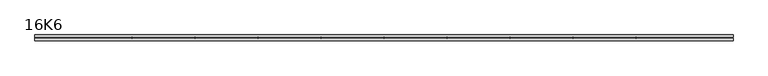
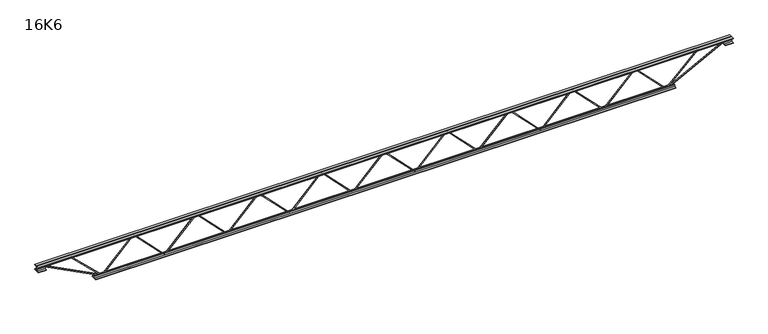
"""IFC4 building model written with IfcOpenShell, lengths in millimetres: beam geometry, 16K6."""

from ifc_helpers import new_model, si_unit, frame, origin, place, context, project, spatial, polyline, outline, extrude, source, transform, mapped, element, save


def beam_16k6_bb097e5b(model_context):
    return source(origin(), model_context, "Body", "SweptSolid", [
        extrude(outline(polyline([(-191.9, 1950.2777778), (-201.4, 1950.2777778), (-201.4, 1955.454737), (191.9, 2339.1602926), (191.9, 2341.5063741), (-201.4, 2725.2119296), (-201.4, 2730.3888889), (-191.9, 2730.3888889), (-191.9, 2729.2158481), (201.4, 2345.5102926), (201.4, 2335.1563741), (-191.9, 1951.4508185), (-191.9, 1950.2777778)])), frame((0.0, -4.75, 0.0), z_axis=(0.0, 1.0, 0.0), x_axis=(0.0, 0.0, 1.0)), (0.0, 0.0, 1.0), 9.5),
        extrude(outline(polyline([(-191.9, 1170.1666667), (-201.4, 1170.1666667), (-201.4, 1175.3436259), (191.9, 1559.0491815), (191.9, 1561.395263), (-201.4, 1945.1008185), (-201.4, 1950.2777778), (-191.9, 1950.2777778), (-191.9, 1949.104737), (201.4, 1565.3991815), (201.4, 1555.045263), (-191.9, 1171.3397074), (-191.9, 1170.1666667)])), frame((0.0, -4.75, 0.0), z_axis=(0.0, 1.0, 0.0), x_axis=(0.0, 0.0, 1.0)), (0.0, 0.0, 1.0), 9.5),
        extrude(outline(polyline([(-191.9, 390.0555556), (-201.4, 390.0555556), (-201.4, 395.2325148), (191.9, 778.9380704), (191.9, 781.2841519), (-201.4, 1164.9897074), (-201.4, 1170.1666667), (-191.9, 1170.1666667), (-191.9, 1168.9936259), (201.4, 785.2880704), (201.4, 774.9341519), (-191.9, 391.2285963), (-191.9, 390.0555556)])), frame((0.0, -4.75, 0.0), z_axis=(0.0, 1.0, 0.0), x_axis=(0.0, 0.0, 1.0)), (0.0, 0.0, 1.0), 9.5),
        extrude(outline(polyline([(-191.9, -390.0555556), (-201.4, -390.0555556), (-201.4, -384.8785963), (191.9, -1.1730407), (191.9, 1.1730407), (-201.4, 384.8785963), (-201.4, 390.0555556), (-191.9, 390.0555556), (-191.9, 388.8825148), (201.4, 5.1769593), (201.4, -5.1769593), (-191.9, -388.8825148), (-191.9, -390.0555556)])), frame((0.0, -4.75, 0.0), z_axis=(0.0, 1.0, 0.0), x_axis=(0.0, 0.0, 1.0)), (0.0, 0.0, 1.0), 9.5),
        extrude(outline(polyline([(-191.9, -1170.1666667), (-201.4, -1170.1666667), (-201.4, -1164.9897074), (191.9, -781.2841519), (191.9, -778.9380704), (-201.4, -395.2325148), (-201.4, -390.0555556), (-191.9, -390.0555556), (-191.9, -391.2285963), (201.4, -774.9341519), (201.4, -785.2880704), (-191.9, -1168.9936259), (-191.9, -1170.1666667)])), frame((0.0, -4.75, 0.0), z_axis=(0.0, 1.0, 0.0), x_axis=(0.0, 0.0, 1.0)), (0.0, 0.0, 1.0), 9.5),
        extrude(outline(polyline([(-191.9, -1950.2777778), (-201.4, -1950.2777778), (-201.4, -1945.1008185), (191.9, -1561.395263), (191.9, -1559.0491815), (-201.4, -1175.3436259), (-201.4, -1170.1666667), (-191.9, -1170.1666667), (-191.9, -1171.3397074), (201.4, -1555.045263), (201.4, -1565.3991815), (-191.9, -1949.104737), (-191.9, -1950.2777778)])), frame((0.0, -4.75, 0.0), z_axis=(0.0, 1.0, 0.0), x_axis=(0.0, 0.0, 1.0)), (0.0, 0.0, 1.0), 9.5),
        extrude(outline(polyline([(-191.9, -2730.3888889), (-201.4, -2730.3888889), (-201.4, -2725.2119296), (191.9, -2341.5063741), (191.9, -2339.1602926), (-201.4, -1955.454737), (-201.4, -1950.2777778), (-191.9, -1950.2777778), (-191.9, -1951.4508185), (201.4, -2335.1563741), (201.4, -2345.5102926), (-191.9, -2729.2158481), (-191.9, -2730.3888889)])), frame((0.0, -4.75, 0.0), z_axis=(0.0, 1.0, 0.0), x_axis=(0.0, 0.0, 1.0)), (0.0, 0.0, 1.0), 9.5),
        extrude(outline(polyline([(-191.9, 2730.3888889), (-201.4, 2730.3888889), (-201.4, 2735.5658481), (191.9, 3119.2714037), (191.9, 3121.6174852), (-201.4, 3505.3230407), (-201.4, 3510.5), (-191.9, 3510.5), (-191.9, 3509.3269593), (201.4, 3125.6214037), (201.4, 3115.2674852), (-191.9, 2731.5619296), (-191.9, 2730.3888889)])), frame((0.0, -4.75, 0.0), z_axis=(0.0, 1.0, 0.0), x_axis=(0.0, 0.0, 1.0)), (0.0, 0.0, 1.0), 9.5),
        extrude(outline(polyline([(-191.9, -3510.5), (-201.4, -3510.5), (-201.4, -3505.3230407), (191.9, -3121.6174852), (191.9, -3119.2714037), (-201.4, -2735.5658481), (-201.4, -2730.3888889), (-191.9, -2730.3888889), (-191.9, -2731.5619296), (201.4, -3115.2674852), (201.4, -3125.6214037), (-191.9, -3509.3269593), (-191.9, -3510.5)])), frame((0.0, -4.75, 0.0), z_axis=(0.0, 1.0, 0.0), x_axis=(0.0, 0.0, 1.0)), (0.0, 0.0, 1.0), 9.5),
        extrude(outline(polyline([(4.75, 203.0), (36.75, 203.0), (36.75, 196.5), (11.25, 196.5), (11.25, 171.0), (4.75, 171.0), (4.75, 203.0)])), frame((-4322.5, 0.0, 0.0), z_axis=(1.0, 0.0, 0.0), x_axis=(0.0, 1.0, 0.0)), (0.0, 0.0, 1.0), 8645.0),
        extrude(outline(polyline([(-4.75, 203.0), (-4.75, 171.0), (-11.25, 171.0), (-11.25, 196.5), (-36.75, 196.5), (-36.75, 203.0), (-4.75, 203.0)])), frame((-4322.5, 0.0, 0.0), z_axis=(1.0, 0.0, 0.0), x_axis=(0.0, 1.0, 0.0)), (0.0, 0.0, 1.0), 8645.0),
        extrude(outline(polyline([(-4.75, 139.5), (-36.75, 139.5), (-36.75, 146.0), (-11.25, 146.0), (-11.25, 171.0), (-4.75, 171.0), (-4.75, 139.5)])), frame((-4322.5, 0.0, 0.0), z_axis=(1.0, 0.0, 0.0), x_axis=(0.0, 1.0, 0.0)), (0.0, 0.0, 1.0), 100.0),
        extrude(outline(polyline([(36.75, 139.5), (4.75, 139.5), (4.75, 171.0), (11.25, 171.0), (11.25, 146.0), (36.75, 146.0), (36.75, 139.5)])), frame((-4322.5, 0.0, 0.0), z_axis=(1.0, 0.0, 0.0), x_axis=(0.0, 1.0, 0.0)), (0.0, 0.0, 1.0), 100.0),
        extrude(outline(polyline([(4.75, 139.5), (4.75, 171.0), (11.25, 171.0), (11.25, 146.0), (36.75, 146.0), (36.75, 139.5), (4.75, 139.5)])), frame((4222.5, 0.0, 0.0), z_axis=(1.0, 0.0, 0.0), x_axis=(0.0, 1.0, 0.0)), (0.0, 0.0, 1.0), 100.0),
        extrude(outline(polyline([(-4.75, 139.5), (-36.75, 139.5), (-36.75, 146.0), (-11.25, 146.0), (-11.25, 171.0), (-4.75, 171.0), (-4.75, 139.5)])), frame((4222.5, 0.0, 0.0), z_axis=(1.0, 0.0, 0.0), x_axis=(0.0, 1.0, 0.0)), (0.0, 0.0, 1.0), 100.0),
        extrude(outline(polyline([(4.75, -203.0), (4.75, -171.0), (11.25, -171.0), (11.25, -196.5), (36.75, -196.5), (36.75, -203.0), (4.75, -203.0)])), frame((-3610.5, 0.0, 0.0), z_axis=(1.0, 0.0, 0.0), x_axis=(0.0, 1.0, 0.0)), (0.0, 0.0, 1.0), 7221.0),
        extrude(outline(polyline([(-4.75, -203.0), (-36.75, -203.0), (-36.75, -196.5), (-11.25, -196.5), (-11.25, -171.0), (-4.75, -171.0), (-4.75, -203.0)])), frame((-3610.5, 0.0, 0.0), z_axis=(1.0, 0.0, 0.0), x_axis=(0.0, 1.0, 0.0)), (0.0, 0.0, 1.0), 7221.0),
        extrude(outline(polyline([(-200.8705467, -3512.6793315), (-192.4294533, -3508.3206685), (175.75, -4221.3460208), (175.75, -4322.5), (166.25, -4322.5), (166.25, -4223.6539792), (-200.8705467, -3512.6793315)])), frame((0.0, -4.75, 0.0), z_axis=(0.0, 1.0, 0.0), x_axis=(0.0, 0.0, 1.0)), (0.0, 0.0, 1.0), 9.5),
        extrude(outline(polyline([(188.7, -3920.5126984), (179.2, -3920.5126984), (179.2, -3909.7207055), (-200.0801253, -3513.7858394), (-193.2198747, -3507.2141606), (188.7, -3905.9046913), (188.7, -3920.5126984)])), frame((0.0, -4.75, 0.0), z_axis=(0.0, 1.0, 0.0), x_axis=(0.0, 0.0, 1.0)), (0.0, 0.0, 1.0), 9.5),
        extrude(outline(polyline([(0.0, -9.5), (0.0, 0.0), (801.3179909, 0.0), (801.3179909, -9.5), (0.0, -9.5)])), frame((4224.6793315, -4.75, 166.7794533), z_axis=(-0.45880662132449573, 0.0, 0.8885361468329811), x_axis=(-0.8885361468329811, 0.0, -0.45880662132449573)), (0.0, 0.0, 1.0), 9.5),
        extrude(outline(polyline([(0.0, -9.5), (0.0, 0.0), (564.2354531, 0.0), (564.2354531, -9.5), (0.0, -9.5)])), frame((3918.3808261, -4.75, 193.2441404), z_axis=(-0.6970494283591719, 0.0, 0.7170230780275846), x_axis=(-0.7170230780275846, 0.0, -0.6970494283591719)), (0.0, 0.0, 1.0), 9.5),
    ])


if __name__ == "__main__":
    model = new_model("IFC4")
    model_context = context("Model", 3, world=origin())
    ifc_project = project(units=[si_unit("LENGTHUNIT", "METRE", prefix="MILLI")], contexts=[model_context])
    site = spatial("IfcSite", under=ifc_project)
    building = spatial("IfcBuilding", under=site)
    placement = place(None, origin())
    beam_16k6_shape = beam_16k6_bb097e5b(model_context)
    element("IfcBeam", 1, ObjectType="16K6", at=placement, inside=building, context=model_context, shape_type="MappedRepresentation", body=[
        mapped(beam_16k6_shape, transform((0.0, 0.0, 0.0), x_axis=(1.0, 0.0, 0.0), y_axis=(0.0, 1.0, 0.0), z_axis=(0.0, 0.0, 1.0))),
    ])
    save(model, "model.ifc")
